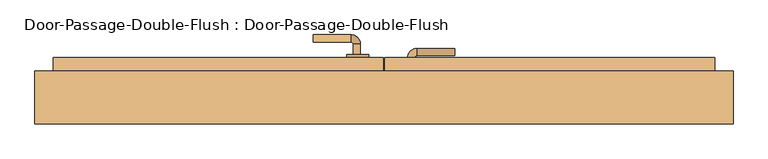
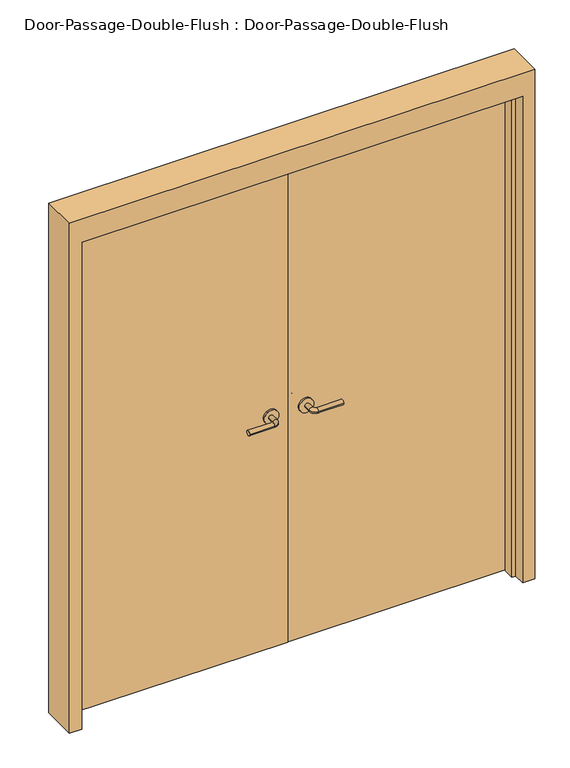
"""IFC4 building model written with IfcOpenShell, lengths in millimetres: door geometry, Door-Passage-Double-Flush : Door-Passage-Double-Flush."""

from ifc_helpers import new_model, si_unit, point, frame, frame_2d, origin, origin_with_axes, place, context, project, spatial, polyline, circle_curve, ellipse_curve, trimmed, segment, composite_curve, outline, extrude, faceted_brep, source, transform, mapped, element, save
from ifc_brep_helpers import plane_surface, cylinder_surface, revolved_surface, advanced_brep


def door_passage_double_flush_door_passage_double_flush_a318b38f(model_context):
    return source(origin(), model_context, "Body", "SolidModel", [
        advanced_brep(
        [(-65.009375, -8.0, 1016.0), (-85.009375, -8.0, 1016.0), (-65.009375, -38.0, 1016.0), (-85.009375, -38.0, 1016.0), (-90.009375, -43.0, 1016.0), (-90.009375, -63.0, 1016.0), (-195.009375, -63.0, 1016.0), (-195.009375, -43.0, 1016.0)],
        [
            (0, 1, circle_curve(frame((-75.009375, -8.0, 1016.0), z_axis=(0.0, 1.0, 0.0), x_axis=(-1.0, 0.0, 0.0)), 10.0)),
            (1, 0, circle_curve(frame((-75.009375, -8.0, 1016.0), z_axis=(0.0, 1.0, 0.0), x_axis=(-1.0, 0.0, 0.0)), 10.0)),
            (0, 2),
            (2, 3, circle_curve(frame((-75.009375, -38.0, 1016.0), z_axis=(0.0, 1.0, 0.0), x_axis=(-1.0, 0.0, 0.0)), 10.0)),
            (3, 1),
            (3, 2, circle_curve(frame((-75.009375, -38.0, 1016.0), z_axis=(0.0, 1.0, 0.0), x_axis=(-1.0, 0.0, 0.0)), 10.0)),
            (4, 3, circle_curve(frame((-90.009375, -38.0, 1016.0), z_axis=(0.0, 0.0, 1.0), x_axis=(1.0, 0.0, 0.0)), 5.0)),
            (2, 5, circle_curve(frame((-90.009375, -38.0, 1016.0), z_axis=(0.0, 0.0, -1.0), x_axis=(1.0, 0.0, 0.0)), 25.0)),
            (5, 4, circle_curve(frame((-90.009375, -53.0, 1016.0), z_axis=(1.0, 0.0, 0.0), x_axis=(0.0, 1.0, 0.0)), 10.0)),
            (4, 5, circle_curve(frame((-90.009375, -53.0, 1016.0), z_axis=(1.0, 0.0, 0.0), x_axis=(0.0, 1.0, 0.0)), 10.0)),
            (6, 7, circle_curve(frame((-195.009375, -53.0, 1016.0), z_axis=(-1.0, 0.0, 0.0), x_axis=(0.0, 1.0, 0.0)), 10.0)),
            (7, 6, circle_curve(frame((-195.009375, -53.0, 1016.0), z_axis=(-1.0, 0.0, 0.0), x_axis=(0.0, 1.0, 0.0)), 10.0)),
            (5, 6),
            (7, 4),
        ],
        [
            plane_surface(frame((-75.009375, -8.0, 1016.0), z_axis=(0.0, 1.0, 0.0), x_axis=(0.0, 0.0, 1.0))),
            cylinder_surface(frame((-75.009375, -8.0, 1016.0), z_axis=(0.0, 1.0, 0.0), x_axis=(-1.0, 0.0, 0.0)), 10.0),
            revolved_surface(trimmed(ellipse_curve(frame((-75.009375, -38.0, 1016.0), z_axis=(0.0, 1.0, 0.0), x_axis=(-1.0, 0.0, 0.0)), 10.0, 10.0), [point((-65.009375, -38.0, 1016.0))], [point((-85.009375, -38.0, 1016.0))], True, "CARTESIAN"), (-90.009375, -38.0, 1016.0), (0.0, 0.0, -1.0)),
            revolved_surface(trimmed(ellipse_curve(frame((-75.009375, -38.0, 1016.0), z_axis=(0.0, 1.0, 0.0), x_axis=(-1.0, 0.0, 0.0)), 10.0, 10.0), [point((-85.009375, -38.0, 1016.0))], [point((-65.009375, -38.0, 1016.0))], True, "CARTESIAN"), (-90.009375, -38.0, 1016.0), (0.0, 0.0, -1.0)),
            plane_surface(frame((-195.009375, -53.0, 1016.0), z_axis=(-1.0, 0.0, 0.0), x_axis=(0.0, 0.0, 1.0))),
            cylinder_surface(frame((-90.009375, -53.0, 1016.0), z_axis=(1.0, 0.0, 0.0), x_axis=(0.0, 1.0, 0.0)), 10.0),
        ],
        [
            (0, [[1, 2]]),
            (1, [[-1, 3, 4, 5]]),
            (1, [[-2, -5, 6, -3]]),
            (2, [[7, -4, 8, 9]]),
            (3, [[-8, -6, -7, 10]]),
            (4, [[11, 12]]),
            (5, [[-9, 13, -12, 14]]),
            (5, [[-10, -14, -11, -13]]),
        ],
    ),
        extrude(outline(composite_curve([segment(trimmed(circle_curve(frame_2d((1016.0, -72.509375)), 30.0), [point((1016.0, -42.509375))], [point((1016.0, -102.509375))], False, "CARTESIAN"), True, "CONTINUOUS"), segment(trimmed(circle_curve(frame_2d((1016.0, -72.509375)), 30.0), [point((1016.0, -102.509375))], [point((1016.0, -42.509375))], False, "CARTESIAN"), True, "CONTINUOUS")], self_intersect=False)), frame((0.0, -8.0, 0.0), z_axis=(0.0, 1.0, 0.0), x_axis=(0.0, 0.0, 1.0)), (0.0, 0.0, 1.0), 8.0),
        advanced_brep(
        [(-65.009375, 90.55, 1016.0), (-85.009375, 90.55, 1016.0), (-85.009375, 120.55, 1016.0), (-65.009375, 120.55, 1016.0), (-90.009375, 125.55, 1016.0), (-90.009375, 145.55, 1016.0), (-195.009375, 145.55, 1016.0), (-195.009375, 125.55, 1016.0)],
        [
            (0, 1, circle_curve(frame((-75.009375, 90.55, 1016.0), z_axis=(0.0, -1.0, 0.0), x_axis=(-1.0, 0.0, 0.0)), 10.0)),
            (1, 0, circle_curve(frame((-75.009375, 90.55, 1016.0), z_axis=(0.0, -1.0, 0.0), x_axis=(-1.0, 0.0, 0.0)), 10.0)),
            (1, 2),
            (2, 3, circle_curve(frame((-75.009375, 120.55, 1016.0), z_axis=(0.0, -1.0, 0.0), x_axis=(-1.0, 0.0, 0.0)), 10.0)),
            (3, 0),
            (3, 2, circle_curve(frame((-75.009375, 120.55, 1016.0), z_axis=(0.0, -1.0, 0.0), x_axis=(-1.0, 0.0, 0.0)), 10.0)),
            (4, 5, circle_curve(frame((-90.009375, 135.55, 1016.0), z_axis=(1.0, 0.0, 0.0), x_axis=(0.0, -1.0, 0.0)), 10.0)),
            (5, 3, circle_curve(frame((-90.009375, 120.55, 1016.0), z_axis=(0.0, 0.0, -1.0), x_axis=(1.0, 0.0, 0.0)), 25.0)),
            (2, 4, circle_curve(frame((-90.009375, 120.55, 1016.0), z_axis=(0.0, 0.0, 1.0), x_axis=(1.0, 0.0, 0.0)), 5.0)),
            (5, 4, circle_curve(frame((-90.009375, 135.55, 1016.0), z_axis=(1.0, 0.0, 0.0), x_axis=(0.0, -1.0, 0.0)), 10.0)),
            (6, 7, circle_curve(frame((-195.009375, 135.55, 1016.0), z_axis=(-1.0, 0.0, 0.0), x_axis=(0.0, -1.0, 0.0)), 10.0)),
            (7, 6, circle_curve(frame((-195.009375, 135.55, 1016.0), z_axis=(-1.0, 0.0, 0.0), x_axis=(0.0, -1.0, 0.0)), 10.0)),
            (4, 7),
            (6, 5),
        ],
        [
            plane_surface(frame((-75.009375, 90.55, 1016.0), z_axis=(0.0, -1.0, 0.0), x_axis=(0.0, 0.0, 1.0))),
            cylinder_surface(frame((-75.009375, 90.55, 1016.0), z_axis=(0.0, -1.0, 0.0), x_axis=(-1.0, 0.0, 0.0)), 10.0),
            revolved_surface(trimmed(ellipse_curve(frame((-75.009375, 120.55, 1016.0), z_axis=(0.0, 1.0, 0.0), x_axis=(-1.0, 0.0, 0.0)), 10.0, 10.0), [point((-65.009375, 120.55, 1016.0))], [point((-85.009375, 120.55, 1016.0))], True, "CARTESIAN"), (-90.009375, 120.55, 1016.0), (0.0, 0.0, -1.0)),
            revolved_surface(trimmed(ellipse_curve(frame((-75.009375, 120.55, 1016.0), z_axis=(0.0, 1.0, 0.0), x_axis=(-1.0, 0.0, 0.0)), 10.0, 10.0), [point((-85.009375, 120.55, 1016.0))], [point((-65.009375, 120.55, 1016.0))], True, "CARTESIAN"), (-90.009375, 120.55, 1016.0), (0.0, 0.0, -1.0)),
            plane_surface(frame((-195.009375, 135.55, 1016.0), z_axis=(-1.0, 0.0, 0.0), x_axis=(0.0, 0.0, 1.0))),
            cylinder_surface(frame((-90.009375, 135.55, 1016.0), z_axis=(1.0, 0.0, 0.0), x_axis=(0.0, -1.0, 0.0)), 10.0),
        ],
        [
            (0, [[1, 2]]),
            (1, [[3, 4, 5, -2]]),
            (1, [[-5, 6, -3, -1]]),
            (2, [[7, 8, -4, 9]]),
            (3, [[10, -9, -6, -8]]),
            (4, [[11, 12]]),
            (5, [[13, -11, 14, -7]]),
            (5, [[-14, -12, -13, -10]]),
        ],
    ),
        extrude(outline(composite_curve([segment(trimmed(circle_curve(frame_2d((1016.0, -72.509375)), 30.0), [point((1016.0, -42.509375))], [point((1016.0, -102.509375))], False, "CARTESIAN"), True, "CONTINUOUS"), segment(trimmed(circle_curve(frame_2d((1016.0, -72.509375)), 30.0), [point((1016.0, -102.509375))], [point((1016.0, -42.509375))], False, "CARTESIAN"), True, "CONTINUOUS")], self_intersect=False)), frame((0.0, 82.55, 0.0), z_axis=(0.0, 1.0, 0.0), x_axis=(0.0, 0.0, 1.0)), (0.0, 0.0, 1.0), 8.0),
        advanced_brep(
        [(65.009375, -8.0, 1016.0), (85.009375, -8.0, 1016.0), (85.009375, -38.0, 1016.0), (65.009375, -38.0, 1016.0), (90.009375, -43.0, 1016.0), (90.009375, -63.0, 1016.0), (195.009375, -63.0, 1016.0), (195.009375, -43.0, 1016.0)],
        [
            (0, 1, circle_curve(frame((75.009375, -8.0, 1016.0), z_axis=(0.0, 1.0, 0.0), x_axis=(1.0, 0.0, 0.0)), 10.0)),
            (1, 0, circle_curve(frame((75.009375, -8.0, 1016.0), z_axis=(0.0, 1.0, 0.0), x_axis=(1.0, 0.0, 0.0)), 10.0)),
            (1, 2),
            (2, 3, circle_curve(frame((75.009375, -38.0, 1016.0), z_axis=(0.0, 1.0, 0.0), x_axis=(1.0, 0.0, 0.0)), 10.0)),
            (3, 0),
            (3, 2, circle_curve(frame((75.009375, -38.0, 1016.0), z_axis=(0.0, 1.0, 0.0), x_axis=(1.0, 0.0, 0.0)), 10.0)),
            (4, 5, circle_curve(frame((90.009375, -53.0, 1016.0), z_axis=(-1.0, 0.0, 0.0), x_axis=(0.0, 1.0, 0.0)), 10.0)),
            (5, 3, circle_curve(frame((90.009375, -38.0, 1016.0), z_axis=(0.0, 0.0, -1.0), x_axis=(-1.0, 0.0, 0.0)), 25.0)),
            (2, 4, circle_curve(frame((90.009375, -38.0, 1016.0), z_axis=(0.0, 0.0, 1.0), x_axis=(-1.0, 0.0, 0.0)), 5.0)),
            (5, 4, circle_curve(frame((90.009375, -53.0, 1016.0), z_axis=(-1.0, 0.0, 0.0), x_axis=(0.0, 1.0, 0.0)), 10.0)),
            (6, 7, circle_curve(frame((195.009375, -53.0, 1016.0), z_axis=(1.0, 0.0, 0.0), x_axis=(0.0, 1.0, 0.0)), 10.0)),
            (7, 6, circle_curve(frame((195.009375, -53.0, 1016.0), z_axis=(1.0, 0.0, 0.0), x_axis=(0.0, 1.0, 0.0)), 10.0)),
            (4, 7),
            (6, 5),
        ],
        [
            plane_surface(frame((75.009375, -8.0, 1016.0), z_axis=(0.0, 1.0, 0.0), x_axis=(0.0, 0.0, 1.0))),
            cylinder_surface(frame((75.009375, -8.0, 1016.0), z_axis=(0.0, 1.0, 0.0), x_axis=(1.0, 0.0, 0.0)), 10.0),
            revolved_surface(trimmed(ellipse_curve(frame((75.009375, -38.0, 1016.0), z_axis=(0.0, -1.0, 0.0), x_axis=(1.0, 0.0, 0.0)), 10.0, 10.0), [point((65.009375, -38.0, 1016.0))], [point((85.009375, -38.0, 1016.0))], True, "CARTESIAN"), (90.009375, -38.0, 1016.0), (0.0, 0.0, -1.0)),
            revolved_surface(trimmed(ellipse_curve(frame((75.009375, -38.0, 1016.0), z_axis=(0.0, -1.0, 0.0), x_axis=(1.0, 0.0, 0.0)), 10.0, 10.0), [point((85.009375, -38.0, 1016.0))], [point((65.009375, -38.0, 1016.0))], True, "CARTESIAN"), (90.009375, -38.0, 1016.0), (0.0, 0.0, -1.0)),
            plane_surface(frame((195.009375, -53.0, 1016.0), z_axis=(1.0, 0.0, 0.0), x_axis=(0.0, 0.0, 1.0))),
            cylinder_surface(frame((90.009375, -53.0, 1016.0), z_axis=(-1.0, 0.0, 0.0), x_axis=(0.0, 1.0, 0.0)), 10.0),
        ],
        [
            (0, [[1, 2]]),
            (1, [[3, 4, 5, -2]]),
            (1, [[-5, 6, -3, -1]]),
            (2, [[7, 8, -4, 9]]),
            (3, [[10, -9, -6, -8]]),
            (4, [[11, 12]]),
            (5, [[13, -11, 14, -7]]),
            (5, [[-14, -12, -13, -10]]),
        ],
    ),
        extrude(outline(composite_curve([segment(trimmed(circle_curve(frame_2d((1016.0, 72.509375)), 30.0), [point((1016.0, 42.509375))], [point((1016.0, 102.509375))], False, "CARTESIAN"), True, "CONTINUOUS"), segment(trimmed(circle_curve(frame_2d((1016.0, 72.509375)), 30.0), [point((1016.0, 102.509375))], [point((1016.0, 42.509375))], False, "CARTESIAN"), True, "CONTINUOUS")], self_intersect=False)), frame((0.0, -8.0, 0.0), z_axis=(0.0, 1.0, 0.0), x_axis=(0.0, 0.0, 1.0)), (0.0, 0.0, 1.0), 8.0),
        advanced_brep(
        [(65.009375, 52.45, 1016.0), (85.009375, 52.45, 1016.0), (65.009375, 82.45, 1016.0), (85.009375, 82.45, 1016.0), (90.009375, 87.45, 1016.0), (90.009375, 107.45, 1016.0), (195.009375, 107.45, 1016.0), (195.009375, 87.45, 1016.0)],
        [
            (0, 1, circle_curve(frame((75.009375, 52.45, 1016.0), z_axis=(0.0, -1.0, 0.0), x_axis=(1.0, 0.0, 0.0)), 10.0)),
            (1, 0, circle_curve(frame((75.009375, 52.45, 1016.0), z_axis=(0.0, -1.0, 0.0), x_axis=(1.0, 0.0, 0.0)), 10.0)),
            (0, 2),
            (2, 3, circle_curve(frame((75.009375, 82.45, 1016.0), z_axis=(0.0, -1.0, 0.0), x_axis=(1.0, 0.0, 0.0)), 10.0)),
            (3, 1),
            (3, 2, circle_curve(frame((75.009375, 82.45, 1016.0), z_axis=(0.0, -1.0, 0.0), x_axis=(1.0, 0.0, 0.0)), 10.0)),
            (4, 3, circle_curve(frame((90.009375, 82.45, 1016.0), z_axis=(0.0, 0.0, 1.0), x_axis=(-1.0, 0.0, 0.0)), 5.0)),
            (2, 5, circle_curve(frame((90.009375, 82.45, 1016.0), z_axis=(0.0, 0.0, -1.0), x_axis=(-1.0, 0.0, 0.0)), 25.0)),
            (5, 4, circle_curve(frame((90.009375, 97.45, 1016.0), z_axis=(-1.0, 0.0, 0.0), x_axis=(0.0, -1.0, 0.0)), 10.0)),
            (4, 5, circle_curve(frame((90.009375, 97.45, 1016.0), z_axis=(-1.0, 0.0, 0.0), x_axis=(0.0, -1.0, 0.0)), 10.0)),
            (6, 7, circle_curve(frame((195.009375, 97.45, 1016.0), z_axis=(1.0, 0.0, 0.0), x_axis=(0.0, -1.0, 0.0)), 10.0)),
            (7, 6, circle_curve(frame((195.009375, 97.45, 1016.0), z_axis=(1.0, 0.0, 0.0), x_axis=(0.0, -1.0, 0.0)), 10.0)),
            (5, 6),
            (7, 4),
        ],
        [
            plane_surface(frame((75.009375, 52.45, 1016.0), z_axis=(0.0, -1.0, 0.0), x_axis=(0.0, 0.0, 1.0))),
            cylinder_surface(frame((75.009375, 52.45, 1016.0), z_axis=(0.0, -1.0, 0.0), x_axis=(1.0, 0.0, 0.0)), 10.0),
            revolved_surface(trimmed(ellipse_curve(frame((75.009375, 82.45, 1016.0), z_axis=(0.0, -1.0, 0.0), x_axis=(1.0, 0.0, 0.0)), 10.0, 10.0), [point((65.009375, 82.45, 1016.0))], [point((85.009375, 82.45, 1016.0))], True, "CARTESIAN"), (90.009375, 82.45, 1016.0), (0.0, 0.0, -1.0)),
            revolved_surface(trimmed(ellipse_curve(frame((75.009375, 82.45, 1016.0), z_axis=(0.0, -1.0, 0.0), x_axis=(1.0, 0.0, 0.0)), 10.0, 10.0), [point((85.009375, 82.45, 1016.0))], [point((65.009375, 82.45, 1016.0))], True, "CARTESIAN"), (90.009375, 82.45, 1016.0), (0.0, 0.0, -1.0)),
            plane_surface(frame((195.009375, 97.45, 1016.0), z_axis=(1.0, 0.0, 0.0), x_axis=(0.0, 0.0, 1.0))),
            cylinder_surface(frame((90.009375, 97.45, 1016.0), z_axis=(-1.0, 0.0, 0.0), x_axis=(0.0, -1.0, 0.0)), 10.0),
        ],
        [
            (0, [[1, 2]]),
            (1, [[-1, 3, 4, 5]]),
            (1, [[-2, -5, 6, -3]]),
            (2, [[7, -4, 8, 9]]),
            (3, [[-8, -6, -7, 10]]),
            (4, [[11, 12]]),
            (5, [[-9, 13, -12, 14]]),
            (5, [[-10, -14, -11, -13]]),
        ],
    ),
        extrude(outline(composite_curve([segment(trimmed(circle_curve(frame_2d((1016.0, 72.509375)), 30.0), [point((1016.0, 42.509375))], [point((1016.0, 102.509375))], False, "CARTESIAN"), True, "CONTINUOUS"), segment(trimmed(circle_curve(frame_2d((1016.0, 72.509375)), 30.0), [point((1016.0, 102.509375))], [point((1016.0, 42.509375))], False, "CARTESIAN"), True, "CONTINUOUS")], self_intersect=False)), frame((0.0, 44.45, 0.0), z_axis=(0.0, 1.0, 0.0), x_axis=(0.0, 0.0, 1.0)), (0.0, 0.0, 1.0), 8.0),
        faceted_brep([(914.4, -4.7625, 0.0), (914.4, 44.45, 0.0), (965.2, 44.45, 0.0), (965.2, -101.6, 0.0), (914.4, -101.6, 0.0), (914.4, -52.3875, 0.0), (898.525, -52.3875, 0.0), (898.525, -4.7625, 0.0), (914.4, -4.7625, 2133.6), (914.4, 44.45, 2133.6), (-914.4, 44.45, 2133.6), (-914.4, 44.45, 0.0), (-965.2, 44.45, 0.0), (-965.2, 44.45, 2235.2), (965.2, 44.45, 2235.2), (965.2, -101.6, 2235.2), (-965.2, -101.6, 2235.2), (-965.2, -101.6, 0.0), (-914.4, -101.6, 0.0), (-914.4, -101.6, 2133.6), (914.4, -101.6, 2133.6), (914.4, -52.3875, 2133.6), (-914.4, -52.3875, 2133.6), (-914.4, -52.3875, 0.0), (-898.525, -52.3875, 0.0), (-898.525, -52.3875, 2117.725), (898.525, -52.3875, 2117.725), (898.525, -4.7625, 2117.725), (-898.525, -4.7625, 2117.725), (-898.525, -4.7625, 0.0), (-914.4, -4.7625, 0.0), (-914.4, -4.7625, 2133.6)], [[[0, 1, 2, 3, 4, 5, 6, 7]], [[1, 0, 8, 9]], [[2, 1, 9, 10, 11, 12, 13, 14]], [[3, 2, 14, 15]], [[4, 3, 15, 16, 17, 18, 19, 20]], [[5, 4, 20, 21]], [[6, 5, 21, 22, 23, 24, 25, 26]], [[7, 6, 26, 27]], [[0, 7, 27, 28, 29, 30, 31, 8]], [[9, 8, 31, 10]], [[20, 19, 22, 21]], [[26, 25, 28, 27]], [[12, 11, 30, 29, 24, 23, 18, 17]], [[11, 10, 31, 30]], [[13, 12, 17, 16]], [[19, 18, 23, 22]], [[25, 24, 29, 28]], [[15, 14, 13, 16]]]),
        extrude(outline(polyline([(914.4, 0.0), (1.5875, 0.0), (1.5875, 82.55), (914.4, 82.55), (914.4, 0.0)])), origin_with_axes(), (0.0, 0.0, 1.0), 2133.6),
        extrude(outline(polyline([(-1.5875, 0.0), (-914.4, 0.0), (-914.4, 82.55), (-1.5875, 82.55), (-1.5875, 0.0)])), origin_with_axes(), (0.0, 0.0, 1.0), 2133.6),
    ])


if __name__ == "__main__":
    model = new_model("IFC4")
    model_context = context("Model", 3, world=origin())
    ifc_project = project(units=[si_unit("LENGTHUNIT", "METRE", prefix="MILLI")], contexts=[model_context])
    site = spatial("IfcSite", under=ifc_project)
    building = spatial("IfcBuilding", under=site)
    placement = place(None, origin())
    door_passage_double_flush_door_passage_double_flush_shape = door_passage_double_flush_door_passage_double_flush_a318b38f(model_context)
    element("IfcDoor", 1, ObjectType="Door-Passage-Double-Flush : Door-Passage-Double-Flush", at=placement, inside=building, context=model_context, shape_type="MappedRepresentation", body=[
        mapped(door_passage_double_flush_door_passage_double_flush_shape, transform((0.0, 0.0, 0.0), x_axis=(1.0, 0.0, 0.0), y_axis=(0.0, 1.0, 0.0), z_axis=(0.0, 0.0, 1.0))),
    ])
    save(model, "model.ifc")
